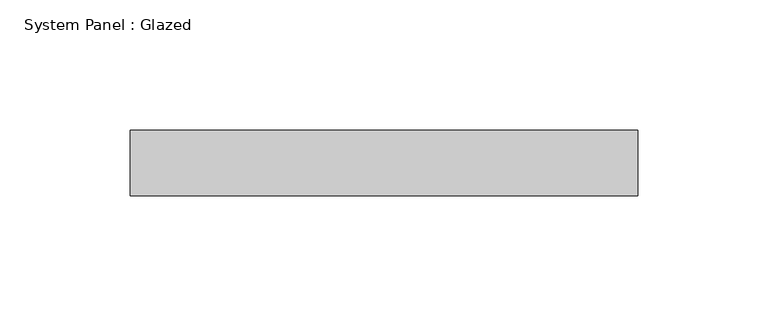
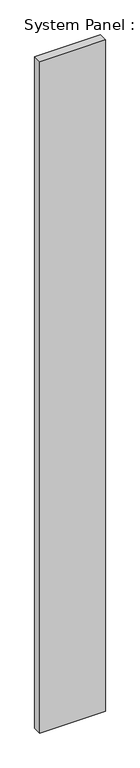
"""IFC4 building model written with IfcOpenShell, lengths in millimetres: plate geometry, System Panel : Glazed."""

from ifc_helpers import new_model, si_unit, origin, origin_with_axes, place, context, project, spatial, polyline, outline, extrude, source, transform, mapped, element, save


def system_panel_glazed_c715a7fe(model_context):
    return source(origin(), model_context, "Body", "SweptSolid", [
        extrude(outline(polyline([(97.25, 24.5), (-97.25, 24.5), (-97.25, 49.5), (97.25, 49.5), (97.25, 24.5)])), origin_with_axes(), (0.0, 0.0, 1.0), 2100.0),
    ])


if __name__ == "__main__":
    model = new_model("IFC4")
    model_context = context("Model", 3, world=origin())
    ifc_project = project(units=[si_unit("LENGTHUNIT", "METRE", prefix="MILLI")], contexts=[model_context])
    site = spatial("IfcSite", under=ifc_project)
    building = spatial("IfcBuilding", under=site)
    placement = place(None, origin())
    system_panel_glazed_shape = system_panel_glazed_c715a7fe(model_context)
    element("IfcPlate", 1, ObjectType="System Panel : Glazed", at=placement, inside=building, context=model_context, shape_type="MappedRepresentation", body=[
        mapped(system_panel_glazed_shape, transform((0.0, 0.0, 0.0), x_axis=(1.0, 0.0, 0.0), y_axis=(0.0, 1.0, 0.0), z_axis=(0.0, 0.0, 1.0))),
    ])
    save(model, "model.ifc")
